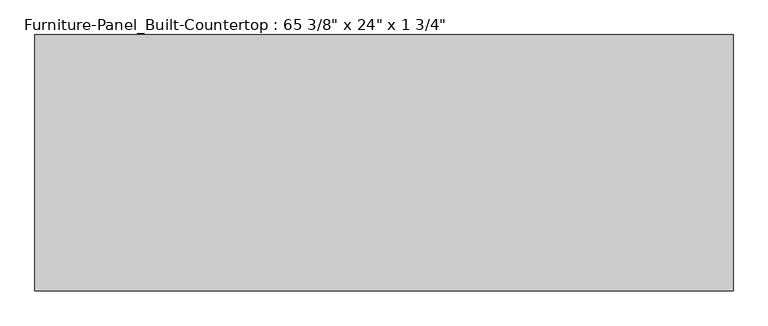
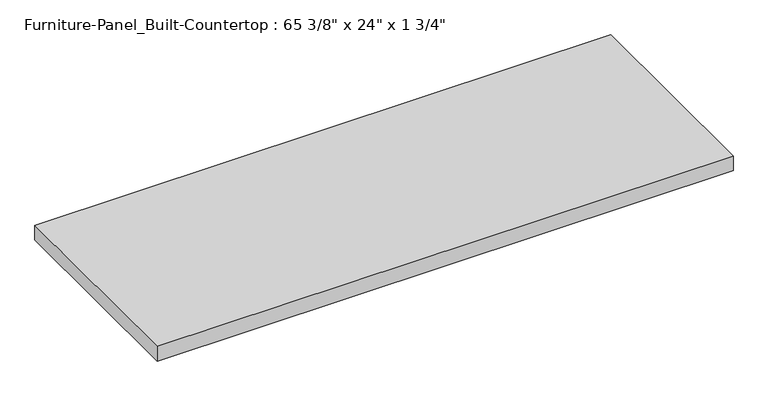
"""IFC4 building model written with IfcOpenShell, lengths in millimetres: furniture geometry."""

from ifc_helpers import new_model, si_unit, origin, origin_with_axes, place, context, project, spatial, polyline, outline, extrude, source, transform, mapped, element, save


def furniture_9af9da52(model_context):
    return source(origin(), model_context, "Body", "SweptSolid", [
        extrude(outline(polyline([(830.2625, 0.0), (830.2625, -609.6), (-830.2625, -609.6), (-830.2625, 0.0), (830.2625, 0.0)])), origin_with_axes(), (0.0, 0.0, 1.0), 44.45),
    ])


if __name__ == "__main__":
    model = new_model("IFC4")
    model_context = context("Model", 3, world=origin())
    ifc_project = project(units=[si_unit("LENGTHUNIT", "METRE", prefix="MILLI")], contexts=[model_context])
    site = spatial("IfcSite", under=ifc_project)
    building = spatial("IfcBuilding", under=site)
    placement = place(None, origin())
    furniture_shape = furniture_9af9da52(model_context)
    element("IfcFurniture", 1, ObjectType="Furniture-Panel_Built-Countertop : 65 3/8\" x 24\" x 1 3/4\"", at=placement, inside=building, context=model_context, shape_type="MappedRepresentation", body=[
        mapped(furniture_shape, transform((0.0, 0.0, 0.0), x_axis=(1.0, 0.0, 0.0), y_axis=(0.0, 1.0, 0.0), z_axis=(0.0, 0.0, 1.0))),
    ])
    save(model, "model.ifc")
